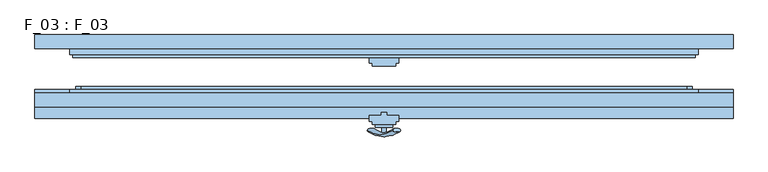
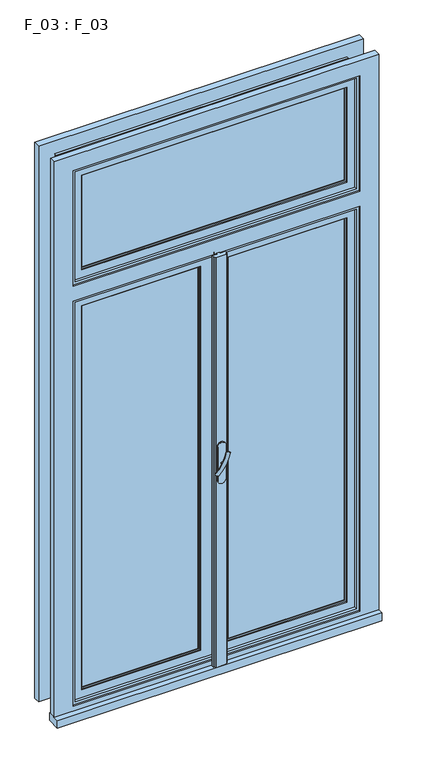
"""IFC4 building model written with IfcOpenShell, lengths in millimetres: window geometry, F_03 : F_03."""

from ifc_helpers import new_model, si_unit, point, frame, frame_2d, origin, place, context, project, spatial, polyline, circle_curve, ellipse_curve, trimmed, segment, composite_curve, outline, extrude, faceted_brep, source, transform, mapped, element, save
from ifc_brep_helpers import plane_surface, revolved_surface, advanced_brep


def f_03_f_03_4b412cb2(model_context):
    return source(origin(), model_context, "Body", "SolidModel", [
        advanced_brep(
        [(-28.5497704, -90.2287724, 1613.0503471), (-14.693364, -90.2287724, 1605.0503471), (14.693364, -90.2287724, 1687.9496529), (28.5497704, -90.2287724, 1679.9496529)],
        [
            (0, 1, ellipse_curve(frame((-21.6215672, -90.2287724, 1609.0503471), z_axis=(-0.46984631039295827, 0.3420201433256777, -0.8137976813493676), x_axis=(0.8660254037844349, 0.0, -0.5000000000000066)), 8.0, 3.5)),
            (1, 0, ellipse_curve(frame((-21.6215672, -90.2287724, 1609.0503471), z_axis=(-0.46984631039295827, 0.3420201433256777, -0.8137976813493676), x_axis=(0.8660254037844349, 0.0, -0.5000000000000066)), 8.0, 3.5)),
            (2, 3, ellipse_curve(frame((21.6215672, -90.2287724, 1683.9496529), z_axis=(0.46984631039296154, 0.3420201433256599, 0.8137976813493732), x_axis=(0.8660254037844355, 0.0, -0.5000000000000056)), 8.0, 3.5)),
            (3, 2, ellipse_curve(frame((21.6215672, -90.2287724, 1683.9496529), z_axis=(0.46984631039296154, 0.3420201433256599, 0.8137976813493732), x_axis=(0.8660254037844355, 0.0, -0.5000000000000056)), 8.0, 3.5)),
            (3, 1, circle_curve(frame((6.9282032, 28.580763, 1642.5), z_axis=(0.8660254037844353, 0.0, -0.500000000000006), x_axis=(-0.1710100716628409, -0.9396926207859051, -0.29619813272603046)), 126.4344667)),
            (0, 2, circle_curve(frame((-6.9282032, 28.580763, 1650.5), z_axis=(-0.8660254037844353, 0.0, 0.500000000000006), x_axis=(-0.1710100716628409, -0.9396926207859051, -0.29619813272603046)), 126.4344667)),
        ],
        [
            plane_surface(frame((40.0926994, -87.5471681, 1574.5466142), z_axis=(-0.4698463103929582, 0.34202014332567776, -0.8137976813493677), x_axis=(-0.8660254037844352, 0.0, 0.500000000000006))),
            plane_surface(frame((82.3598097, -87.5471681, 1647.7553967), z_axis=(0.4698463103929615, 0.34202014332565983, 0.8137976813493734), x_axis=(-0.8660254037844352, 0.0, 0.500000000000006))),
            revolved_surface(trimmed(ellipse_curve(frame((-21.6215672, -90.2287724, 1609.0503471), z_axis=(-0.46984631039295827, 0.3420201433256777, -0.8137976813493676), x_axis=(0.8660254037844349, 0.0, -0.5000000000000066)), 8.0, 3.5), [point((-28.5497704, -90.2287724, 1613.0503471))], [point((-14.693364, -90.2287724, 1605.0503471))], True, "CARTESIAN"), (61.2262546, 28.580763, 1611.1510055), (-0.8660254037844353, 0.0, 0.500000000000006)),
            revolved_surface(trimmed(ellipse_curve(frame((-21.6215672, -90.2287724, 1609.0503471), z_axis=(-0.46984631039295827, 0.3420201433256777, -0.8137976813493676), x_axis=(0.8660254037844349, 0.0, -0.5000000000000066)), 8.0, 3.5), [point((-14.693364, -90.2287724, 1605.0503471))], [point((-28.5497704, -90.2287724, 1613.0503471))], True, "CARTESIAN"), (61.2262546, 28.580763, 1611.1510055), (-0.8660254037844353, 0.0, 0.500000000000006)),
        ],
        [
            (0, [[1, 2]]),
            (1, [[3, 4]]),
            (2, [[5, -1, 6, -4]]),
            (3, [[-6, -2, -5, -3]]),
        ],
    ),
        extrude(outline(composite_curve([segment(trimmed(circle_curve(frame_2d((1646.5, 0.0)), 3.5), [point((1646.5, -3.5))], [point((1646.5, 3.5))], False, "CARTESIAN"), True, "CONTINUOUS"), segment(trimmed(circle_curve(frame_2d((1646.5, 0.0)), 3.5), [point((1646.5, 3.5))], [point((1646.5, -3.5))], False, "CARTESIAN"), True, "CONTINUOUS")], self_intersect=False)), frame((0.0, -95.0, 0.0), z_axis=(0.0, 1.0, 0.0), x_axis=(0.0, 0.0, 1.0)), (0.0, 0.0, 1.0), 10.0),
        extrude(outline(composite_curve([segment(polyline([(1710.8020109, -15.0), (1580.8020109, -15.0)]), True, "CONTINUOUS"), segment(trimmed(circle_curve(frame_2d((1580.8020109, 0.0)), 15.0), [point((1580.8020109, -15.0))], [point((1580.8020109, 15.0))], False, "CARTESIAN"), True, "CONTINUOUS"), segment(polyline([(1580.8020109, 15.0), (1710.8020109, 15.0)]), True, "CONTINUOUS"), segment(trimmed(circle_curve(frame_2d((1710.8020109, 0.0)), 15.0), [point((1710.8020109, 15.0))], [point((1710.8020109, -15.0))], False, "CARTESIAN"), True, "CONTINUOUS")], self_intersect=False)), frame((0.0, -85.0, 0.0), z_axis=(0.0, 1.0, 0.0), x_axis=(0.0, 0.0, 1.0)), (0.0, 0.0, 1.0), 5.0),
        extrude(outline(polyline([(485.0, 43.0), (-485.0, 43.0), (-485.0, 47.0), (485.0, 47.0), (485.0, 43.0)])), frame((0.0, 0.0, 2545.0), z_axis=(0.0, 0.0, 1.0), x_axis=(1.0, 0.0, 0.0)), (0.0, 0.0, 1.0), 360.0),
        faceted_brep([(-490.0, 50.0, 2910.0), (-490.0, 55.0, 2910.0), (490.0, 55.0, 2910.0), (490.0, 50.0, 2910.0), (490.0, 55.0, 2540.0), (490.0, 50.0, 2540.0), (520.0, 55.0, 2510.0), (-520.0, 55.0, 2510.0), (-520.0, 55.0, 2940.0), (520.0, 55.0, 2940.0), (-490.0, 55.0, 2540.0), (-490.0, 50.0, 2540.0), (485.0, 50.0, 2905.0), (-485.0, 50.0, 2905.0), (-485.0, 50.0, 2545.0), (485.0, 50.0, 2545.0), (-485.0, 40.0, 2905.0), (485.0, 40.0, 2905.0), (485.0, 40.0, 2545.0), (490.0, 40.0, 2910.0), (-490.0, 40.0, 2910.0), (-490.0, 40.0, 2540.0), (490.0, 40.0, 2540.0), (-485.0, 40.0, 2545.0), (-490.0, 35.0, 2910.0), (490.0, 35.0, 2910.0), (490.0, 35.0, 2540.0), (535.0, 35.0, 2955.0), (-535.0, 35.0, 2955.0), (-535.0, 35.0, 2495.0), (535.0, 35.0, 2495.0), (-490.0, 35.0, 2540.0), (-540.0, 50.0, 2960.0), (-540.0, 40.0, 2960.0), (540.0, 40.0, 2960.0), (540.0, 50.0, 2960.0), (540.0, 40.0, 2490.0), (540.0, 50.0, 2490.0), (-540.0, 40.0, 2490.0), (535.0, 40.0, 2495.0), (-535.0, 40.0, 2495.0), (-535.0, 40.0, 2955.0), (535.0, 40.0, 2955.0), (-540.0, 50.0, 2490.0), (520.0, 50.0, 2940.0), (-520.0, 50.0, 2940.0), (-520.0, 50.0, 2510.0), (520.0, 50.0, 2510.0)], [[[0, 1, 2, 3]], [[3, 2, 4, 5]], [[6, 7, 8, 9], [2, 1, 10, 4]], [[5, 11, 0, 3], [12, 13, 14, 15]], [[16, 13, 12, 17]], [[17, 12, 15, 18]], [[19, 20, 21, 22], [18, 23, 16, 17]], [[24, 20, 19, 25]], [[25, 19, 22, 26]], [[27, 28, 29, 30], [26, 31, 24, 25]], [[32, 33, 34, 35]], [[35, 34, 36, 37]], [[34, 33, 38, 36], [39, 40, 41, 42]], [[37, 43, 32, 35], [44, 45, 46, 47]], [[8, 45, 44, 9]], [[9, 44, 47, 6]], [[11, 10, 1, 0]], [[23, 14, 13, 16]], [[31, 21, 20, 24]], [[43, 38, 33, 32]], [[7, 46, 45, 8]], [[41, 28, 27, 42]], [[40, 29, 28, 41]], [[42, 27, 30, 39]], [[5, 4, 10, 11]], [[18, 15, 14, 23]], [[26, 22, 21, 31]], [[37, 36, 38, 43]], [[6, 47, 46, 7]], [[39, 30, 29, 40]]]),
        extrude(outline(polyline([(485.0, -27.0), (-485.0, -27.0), (-485.0, -23.0), (485.0, -23.0), (485.0, -27.0)])), frame((0.0, 0.0, 2545.0), z_axis=(0.0, 0.0, 1.0), x_axis=(1.0, 0.0, 0.0)), (0.0, 0.0, 1.0), 360.0),
        faceted_brep([(-490.0, -20.0, 2910.0), (-490.0, -15.0, 2910.0), (490.0, -15.0, 2910.0), (490.0, -20.0, 2910.0), (490.0, -15.0, 2540.0), (490.0, -20.0, 2540.0), (520.0, -15.0, 2510.0), (-520.0, -15.0, 2510.0), (-520.0, -15.0, 2940.0), (520.0, -15.0, 2940.0), (-490.0, -15.0, 2540.0), (-490.0, -20.0, 2540.0), (485.0, -20.0, 2905.0), (-485.0, -20.0, 2905.0), (-485.0, -20.0, 2545.0), (485.0, -20.0, 2545.0), (-485.0, -30.0, 2905.0), (485.0, -30.0, 2905.0), (485.0, -30.0, 2545.0), (490.0, -30.0, 2910.0), (-490.0, -30.0, 2910.0), (-490.0, -30.0, 2540.0), (490.0, -30.0, 2540.0), (-485.0, -30.0, 2545.0), (-490.0, -35.0, 2910.0), (490.0, -35.0, 2910.0), (490.0, -35.0, 2540.0), (535.0, -35.0, 2955.0), (-535.0, -35.0, 2955.0), (-535.0, -35.0, 2495.0), (535.0, -35.0, 2495.0), (-490.0, -35.0, 2540.0), (-540.0, -20.0, 2960.0), (-540.0, -30.0, 2960.0), (540.0, -30.0, 2960.0), (540.0, -20.0, 2960.0), (540.0, -30.0, 2490.0), (540.0, -20.0, 2490.0), (-540.0, -30.0, 2490.0), (535.0, -30.0, 2495.0), (-535.0, -30.0, 2495.0), (-535.0, -30.0, 2955.0), (535.0, -30.0, 2955.0), (-540.0, -20.0, 2490.0), (520.0, -20.0, 2940.0), (-520.0, -20.0, 2940.0), (-520.0, -20.0, 2510.0), (520.0, -20.0, 2510.0)], [[[0, 1, 2, 3]], [[3, 2, 4, 5]], [[6, 7, 8, 9], [2, 1, 10, 4]], [[5, 11, 0, 3], [12, 13, 14, 15]], [[16, 13, 12, 17]], [[17, 12, 15, 18]], [[19, 20, 21, 22], [18, 23, 16, 17]], [[24, 20, 19, 25]], [[25, 19, 22, 26]], [[27, 28, 29, 30], [26, 31, 24, 25]], [[32, 33, 34, 35]], [[35, 34, 36, 37]], [[34, 33, 38, 36], [39, 40, 41, 42]], [[37, 43, 32, 35], [44, 45, 46, 47]], [[8, 45, 44, 9]], [[9, 44, 47, 6]], [[11, 10, 1, 0]], [[23, 14, 13, 16]], [[31, 21, 20, 24]], [[43, 38, 33, 32]], [[7, 46, 45, 8]], [[41, 28, 27, 42]], [[40, 29, 28, 41]], [[42, 27, 30, 39]], [[5, 4, 10, 11]], [[18, 15, 14, 23]], [[26, 22, 21, 31]], [[37, 36, 38, 43]], [[6, 47, 46, 7]], [[39, 30, 29, 40]]]),
        extrude(outline(polyline([(600.0, -70.0), (-600.0, -70.0), (-600.0, -20.0), (600.0, -20.0), (600.0, -70.0)])), frame((0.0, 0.0, 810.0), z_axis=(0.0, 0.0, 1.0), x_axis=(1.0, 0.0, 0.0)), (0.0, 0.0, 1.0), 30.0),
        faceted_brep([(-600.0, -26.0, 840.0), (-600.0, -26.0, 3010.0), (600.0, -26.0, 3010.0), (600.0, -26.0, 840.0), (530.0, -26.0, 840.0), (530.0, -26.0, 810.0), (-530.0, -26.0, 810.0), (-530.0, -26.0, 840.0), (-520.0, -26.0, 2430.0), (-520.0, -26.0, 870.0), (520.0, -26.0, 870.0), (520.0, -26.0, 2430.0), (-520.0, -26.0, 2940.0), (-520.0, -26.0, 2510.0), (520.0, -26.0, 2510.0), (520.0, -26.0, 2940.0), (600.0, -50.0, 3010.0), (600.0, -50.0, 840.0), (530.0, -50.0, 840.0), (530.0, -45.0, 840.0), (530.0, -50.0, 810.0), (-530.0, -50.0, 810.0), (-530.0, -50.0, 840.0), (-530.0, -45.0, 840.0), (-520.0, -45.0, 870.0), (520.0, -45.0, 870.0), (520.0, -45.0, 2430.0), (520.0, -45.0, 2510.0), (520.0, -45.0, 2940.0), (-530.0, -45.0, 2950.0), (-530.0, -45.0, 2500.0), (530.0, -45.0, 2500.0), (530.0, -45.0, 2950.0), (-520.0, -45.0, 2510.0), (-520.0, -45.0, 2940.0), (530.0, -45.0, 2440.0), (-530.0, -45.0, 2440.0), (-530.0, -45.0, 860.0), (530.0, -45.0, 860.0), (-520.0, -45.0, 2430.0), (-530.0, -50.0, 860.0), (530.0, -50.0, 860.0), (530.0, -50.0, 2440.0), (530.0, -50.0, 2500.0), (530.0, -50.0, 2950.0), (-600.0, -50.0, 840.0), (-600.0, -50.0, 3010.0), (-530.0, -50.0, 2440.0), (-530.0, -50.0, 2950.0), (-530.0, -50.0, 2500.0)], [[[0, 1, 2, 3, 4, 5, 6, 7], [8, 9, 10, 11], [12, 13, 14, 15]], [[2, 16, 17, 3]], [[3, 17, 18, 19, 4]], [[20, 5, 4, 19, 18]], [[21, 6, 5, 20]], [[6, 21, 22, 23, 7]], [[24, 25, 10, 9]], [[26, 11, 10, 25]], [[15, 14, 27, 28]], [[29, 30, 31, 32], [33, 34, 28, 27]], [[35, 36, 37, 38], [39, 26, 25, 24]], [[40, 41, 38, 37]], [[42, 35, 38, 41]], [[43, 44, 32, 31]], [[45, 22, 21, 20, 18, 17, 16, 46], [42, 41, 40, 47], [48, 44, 43, 49]], [[22, 45, 0, 7, 23]], [[12, 34, 33, 13]], [[8, 39, 24, 9]], [[37, 36, 47, 40]], [[29, 48, 49, 30]], [[46, 1, 0, 45]], [[34, 12, 15, 28]], [[44, 48, 29, 32]], [[1, 46, 16, 2]], [[39, 8, 11, 26]], [[42, 47, 36, 35]], [[49, 43, 31, 30]], [[13, 33, 27, 14]]]),
        faceted_brep([(-0.5, 55.0, 850.0), (-0.5, 50.0, 850.0), (0.0, 50.0, 850.0), (0.0, 40.0, 850.0), (-540.0, 40.0, 850.0), (-540.0, 50.0, 850.0), (-10.0, 50.0, 850.0), (-10.0, 55.0, 850.0), (-0.5, 55.0, 2450.0), (-0.5, 50.0, 2450.0), (0.0, 50.0, 2450.0), (-530.0, 50.0, 860.0), (-10.0, 50.0, 860.0), (-540.0, 50.0, 2450.0), (-10.0, 50.0, 2450.0), (-10.0, 50.0, 2440.0), (-530.0, 50.0, 2440.0), (0.0, 40.0, 2450.0), (-540.0, 40.0, 2450.0), (-5.0, 40.0, 2445.0), (-5.0, 40.0, 855.0), (-535.0, 40.0, 855.0), (-535.0, 40.0, 2445.0), (-10.0, 55.0, 860.0), (-10.0, 55.0, 2450.0), (-10.0, 55.0, 2440.0), (-530.0, 55.0, 860.0), (-530.0, 55.0, 2440.0), (-50.0, 55.0, 900.0), (-50.0, 55.0, 2400.0), (-490.0, 55.0, 2400.0), (-490.0, 55.0, 900.0), (-50.0, 50.0, 2400.0), (-50.0, 50.0, 900.0), (-490.0, 50.0, 900.0), (-490.0, 50.0, 2400.0), (-55.0, 50.0, 905.0), (-55.0, 50.0, 2395.0), (-485.0, 50.0, 2395.0), (-485.0, 50.0, 905.0), (-55.0, 40.0, 2395.0), (-55.0, 40.0, 905.0), (-485.0, 40.0, 905.0), (-50.0, 40.0, 900.0), (-50.0, 40.0, 2400.0), (-490.0, 40.0, 2400.0), (-490.0, 40.0, 900.0), (-485.0, 40.0, 2395.0), (-50.0, 35.0, 2400.0), (-50.0, 35.0, 900.0), (-490.0, 35.0, 900.0), (-5.0, 35.0, 855.0), (-5.0, 35.0, 2445.0), (-535.0, 35.0, 2445.0), (-535.0, 35.0, 855.0), (-490.0, 35.0, 2400.0)], [[[0, 1, 2, 3, 4, 5, 6, 7]], [[8, 9, 1, 0]], [[10, 2, 1, 9]], [[11, 12, 6, 5, 13, 14, 15, 16]], [[10, 17, 3, 2]], [[3, 17, 18, 4], [19, 20, 21, 22]], [[5, 4, 18, 13]], [[7, 6, 12, 23]], [[14, 24, 25, 15]], [[24, 8, 0, 7, 23, 26, 27, 25], [28, 29, 30, 31]], [[12, 11, 26, 23]], [[26, 11, 16, 27]], [[32, 29, 28, 33]], [[34, 31, 30, 35]], [[33, 28, 31, 34]], [[32, 33, 34, 35], [36, 37, 38, 39]], [[40, 37, 36, 41]], [[41, 36, 39, 42]], [[43, 44, 45, 46], [40, 41, 42, 47]], [[48, 44, 43, 49]], [[49, 43, 46, 50]], [[51, 52, 53, 54], [48, 49, 50, 55]], [[19, 52, 51, 20]], [[20, 51, 54, 21]], [[42, 39, 38, 47]], [[50, 46, 45, 55]], [[21, 54, 53, 22]], [[8, 24, 14, 13, 18, 17, 10, 9]], [[29, 32, 35, 30]], [[37, 40, 47, 38]], [[44, 48, 55, 45]], [[52, 19, 22, 53]], [[27, 16, 15, 25]]]),
        faceted_brep([(0.5, 55.0, 850.0), (10.0, 55.0, 850.0), (10.0, 50.0, 850.0), (540.0, 50.0, 850.0), (540.0, 40.0, 850.0), (0.0, 40.0, 850.0), (0.0, 50.0, 850.0), (0.5, 50.0, 850.0), (0.5, 55.0, 2450.0), (10.0, 55.0, 2450.0), (10.0, 55.0, 2440.0), (530.0, 55.0, 2440.0), (530.0, 55.0, 860.0), (10.0, 55.0, 860.0), (50.0, 55.0, 2400.0), (50.0, 55.0, 900.0), (490.0, 55.0, 900.0), (490.0, 55.0, 2400.0), (10.0, 50.0, 860.0), (10.0, 50.0, 2450.0), (10.0, 50.0, 2440.0), (0.0, 50.0, 2450.0), (0.5, 50.0, 2450.0), (530.0, 50.0, 860.0), (530.0, 50.0, 2440.0), (540.0, 50.0, 2450.0), (540.0, 40.0, 2450.0), (0.0, 40.0, 2450.0), (5.0, 40.0, 855.0), (5.0, 40.0, 2445.0), (535.0, 40.0, 2445.0), (535.0, 40.0, 855.0), (50.0, 50.0, 2400.0), (50.0, 50.0, 900.0), (490.0, 50.0, 900.0), (490.0, 50.0, 2400.0), (55.0, 50.0, 2395.0), (55.0, 50.0, 905.0), (485.0, 50.0, 905.0), (485.0, 50.0, 2395.0), (55.0, 40.0, 2395.0), (55.0, 40.0, 905.0), (50.0, 40.0, 2400.0), (50.0, 40.0, 900.0), (490.0, 40.0, 900.0), (490.0, 40.0, 2400.0), (485.0, 40.0, 2395.0), (485.0, 40.0, 905.0), (50.0, 35.0, 2400.0), (50.0, 35.0, 900.0), (5.0, 35.0, 2445.0), (5.0, 35.0, 855.0), (535.0, 35.0, 855.0), (535.0, 35.0, 2445.0), (490.0, 35.0, 2400.0), (490.0, 35.0, 900.0)], [[[0, 1, 2, 3, 4, 5, 6, 7]], [[8, 9, 10, 11, 12, 13, 1, 0], [14, 15, 16, 17]], [[2, 1, 13, 18]], [[9, 19, 20, 10]], [[6, 21, 22, 7]], [[18, 23, 24, 20, 19, 25, 3, 2]], [[4, 3, 25, 26]], [[27, 5, 4, 26], [28, 29, 30, 31]], [[27, 21, 6, 5]], [[22, 8, 0, 7]], [[23, 12, 11, 24]], [[13, 12, 23, 18]], [[14, 32, 33, 15]], [[15, 33, 34, 16]], [[16, 34, 35, 17]], [[33, 32, 35, 34], [36, 37, 38, 39]], [[36, 40, 41, 37]], [[42, 43, 44, 45], [41, 40, 46, 47]], [[37, 41, 47, 38]], [[42, 48, 49, 43]], [[50, 51, 52, 53], [49, 48, 54, 55]], [[43, 49, 55, 44]], [[50, 29, 28, 51]], [[51, 28, 31, 52]], [[38, 47, 46, 39]], [[44, 55, 54, 45]], [[52, 31, 30, 53]], [[8, 22, 21, 27, 26, 25, 19, 9]], [[32, 14, 17, 35]], [[40, 36, 39, 46]], [[48, 42, 45, 54]], [[29, 50, 53, 30]], [[24, 11, 10, 20]]]),
        faceted_brep([(-600.0, 74.0, 840.0), (-600.0, 74.0, 3010.0), (600.0, 74.0, 3010.0), (600.0, 74.0, 840.0), (520.0, 74.0, 2940.0), (-520.0, 74.0, 2940.0), (-520.0, 74.0, 2510.0), (520.0, 74.0, 2510.0), (520.0, 74.0, 2430.0), (-520.0, 74.0, 2430.0), (-520.0, 74.0, 870.0), (520.0, 74.0, 870.0), (600.0, 50.0, 3010.0), (600.0, 50.0, 840.0), (-600.0, 50.0, 840.0), (520.0, 55.0, 870.0), (-520.0, 55.0, 870.0), (520.0, 55.0, 2510.0), (520.0, 55.0, 2940.0), (520.0, 55.0, 2430.0), (530.0, 55.0, 860.0), (530.0, 55.0, 2440.0), (-530.0, 55.0, 2440.0), (-530.0, 55.0, 860.0), (-520.0, 55.0, 2430.0), (530.0, 55.0, 2500.0), (530.0, 55.0, 2950.0), (-530.0, 55.0, 2950.0), (-530.0, 55.0, 2500.0), (-520.0, 55.0, 2510.0), (-520.0, 55.0, 2940.0), (-530.0, 50.0, 860.0), (530.0, 50.0, 860.0), (530.0, 50.0, 2500.0), (530.0, 50.0, 2950.0), (530.0, 50.0, 2440.0), (-600.0, 50.0, 3010.0), (-530.0, 50.0, 2440.0), (-530.0, 50.0, 2500.0), (-530.0, 50.0, 2950.0)], [[[0, 1, 2, 3], [4, 5, 6, 7], [8, 9, 10, 11]], [[2, 12, 13, 3]], [[0, 3, 13, 14]], [[15, 11, 10, 16]], [[4, 7, 17, 18]], [[19, 8, 11, 15]], [[20, 21, 22, 23], [19, 15, 16, 24]], [[25, 26, 27, 28], [18, 17, 29, 30]], [[31, 32, 20, 23]], [[33, 34, 26, 25]], [[35, 21, 20, 32]], [[36, 14, 13, 12], [32, 31, 37, 35], [33, 38, 39, 34]], [[10, 9, 24, 16]], [[6, 5, 30, 29]], [[37, 31, 23, 22]], [[39, 38, 28, 27]], [[0, 14, 36, 1]], [[4, 18, 30, 5]], [[27, 26, 34, 39]], [[2, 1, 36, 12]], [[8, 19, 24, 9]], [[22, 21, 35, 37]], [[33, 25, 28, 38]], [[17, 7, 6, 29]]]),
        extrude(outline(polyline([(-55.0, 43.0), (-485.0, 43.0), (-485.0, 47.0), (-55.0, 47.0), (-55.0, 43.0)])), frame((0.0, 0.0, 905.0), z_axis=(0.0, 0.0, 1.0), x_axis=(1.0, 0.0, 0.0)), (0.0, 0.0, 1.0), 1490.0),
        extrude(outline(polyline([(485.0, 43.0), (55.0, 43.0), (55.0, 47.0), (485.0, 47.0), (485.0, 43.0)])), frame((0.0, 0.0, 905.0), z_axis=(0.0, 0.0, 1.0), x_axis=(1.0, 0.0, 0.0)), (0.0, 0.0, 1.0), 1490.0),
        extrude(outline(polyline([(5.0, 40.0), (5.0, 35.0), (25.0, 35.0), (25.0, 25.0), (20.0, 25.0), (20.0, 20.0), (-20.0, 20.0), (-20.0, 25.0), (-25.0, 25.0), (-25.0, 35.0), (-5.0, 35.0), (-5.0, 40.0), (5.0, 40.0)])), frame((0.0, 0.0, 850.0), z_axis=(0.0, 0.0, 1.0), x_axis=(1.0, 0.0, 0.0)), (0.0, 0.0, 1.0), 1600.0),
        faceted_brep([(-50.0, -20.0, 2400.0), (-50.0, -15.0, 2400.0), (-50.0, -15.0, 900.0), (-50.0, -20.0, 900.0), (-10.0, -15.0, 2440.0), (-10.0, -15.0, 860.0), (-530.0, -15.0, 860.0), (-530.0, -15.0, 2440.0), (-490.0, -15.0, 2400.0), (-490.0, -15.0, 900.0), (-490.0, -20.0, 900.0), (-490.0, -20.0, 2400.0), (-55.0, -20.0, 905.0), (-55.0, -20.0, 2395.0), (-485.0, -20.0, 2395.0), (-485.0, -20.0, 905.0), (-55.0, -30.0, 2395.0), (-55.0, -30.0, 905.0), (-485.0, -30.0, 905.0), (-50.0, -30.0, 900.0), (-50.0, -30.0, 2400.0), (-490.0, -30.0, 2400.0), (-490.0, -30.0, 900.0), (-485.0, -30.0, 2395.0), (-50.0, -35.0, 2400.0), (-50.0, -35.0, 900.0), (-490.0, -35.0, 900.0), (-5.0, -35.0, 855.0), (-5.0, -35.0, 2445.0), (-535.0, -35.0, 2445.0), (-535.0, -35.0, 855.0), (-490.0, -35.0, 2400.0), (-5.0, -30.0, 2445.0), (-5.0, -30.0, 855.0), (-535.0, -30.0, 855.0), (0.0, -30.0, 850.0), (0.0, -30.0, 2450.0), (-540.0, -30.0, 2450.0), (-540.0, -30.0, 850.0), (-535.0, -30.0, 2445.0), (0.0, -20.0, 2450.0), (0.0, -20.0, 850.0), (-540.0, -20.0, 850.0), (-540.0, -20.0, 2450.0), (-10.0, -20.0, 860.0), (-10.0, -20.0, 2440.0), (-530.0, -20.0, 2440.0), (-530.0, -20.0, 860.0)], [[[0, 1, 2, 3]], [[4, 5, 6, 7], [2, 1, 8, 9]], [[3, 2, 9, 10]], [[0, 3, 10, 11], [12, 13, 14, 15]], [[16, 13, 12, 17]], [[17, 12, 15, 18]], [[19, 20, 21, 22], [16, 17, 18, 23]], [[24, 20, 19, 25]], [[25, 19, 22, 26]], [[27, 28, 29, 30], [24, 25, 26, 31]], [[32, 28, 27, 33]], [[33, 27, 30, 34]], [[35, 36, 37, 38], [32, 33, 34, 39]], [[40, 36, 35, 41]], [[41, 35, 38, 42]], [[40, 41, 42, 43], [44, 45, 46, 47]], [[10, 9, 8, 11]], [[18, 15, 14, 23]], [[26, 22, 21, 31]], [[34, 30, 29, 39]], [[42, 38, 37, 43]], [[5, 44, 47, 6]], [[6, 47, 46, 7]], [[1, 0, 11, 8]], [[13, 16, 23, 14]], [[20, 24, 31, 21]], [[28, 32, 39, 29]], [[36, 40, 43, 37]], [[45, 4, 7, 46]], [[4, 45, 44, 5]]]),
        faceted_brep([(-10.0, -50.0, 2450.0), (-10.0, -45.0, 2450.0), (-10.0, -45.0, 850.0), (-10.0, -50.0, 850.0), (-0.5, -45.0, 2450.0), (-0.5, -50.0, 2450.0), (-0.5, -50.0, 850.0), (-0.5, -45.0, 850.0)], [[[0, 1, 2, 3]], [[4, 5, 6, 7]], [[7, 6, 3, 2]], [[5, 0, 3, 6]], [[1, 4, 7, 2]], [[4, 1, 0, 5]]]),
        extrude(outline(polyline([(-55.0, -27.0), (-485.0, -27.0), (-485.0, -23.0), (-55.0, -23.0), (-55.0, -27.0)])), frame((0.0, 0.0, 905.0), z_axis=(0.0, 0.0, 1.0), x_axis=(1.0, 0.0, 0.0)), (0.0, 0.0, 1.0), 1490.0),
        extrude(outline(polyline([(485.0, -27.0), (55.0, -27.0), (55.0, -23.0), (485.0, -23.0), (485.0, -27.0)])), frame((0.0, 0.0, 905.0), z_axis=(0.0, 0.0, 1.0), x_axis=(1.0, 0.0, 0.0)), (0.0, 0.0, 1.0), 1490.0),
        faceted_brep([(5.0, -60.0, 850.0), (5.0, -65.0, 850.0), (25.0, -65.0, 850.0), (25.0, -75.0, 850.0), (20.0, -75.0, 850.0), (20.0, -80.0, 850.0), (-20.0, -80.0, 850.0), (-20.0, -75.0, 850.0), (-25.0, -75.0, 850.0), (-25.0, -65.0, 850.0), (-5.0, -65.0, 850.0), (-5.0, -60.0, 850.0), (5.0, -60.0, 2450.0), (5.0, -65.0, 2450.0), (25.0, -65.0, 2450.0), (25.0, -75.0, 2450.0), (20.0, -75.0, 2450.0), (20.0, -80.0, 2450.0), (-20.0, -80.0, 2450.0), (-20.0, -75.0, 2450.0), (-25.0, -75.0, 2450.0), (-25.0, -65.0, 2450.0), (-5.0, -65.0, 2450.0), (-5.0, -60.0, 2450.0)], [[[0, 1, 2, 3, 4, 5, 6, 7, 8, 9, 10, 11]], [[12, 13, 1, 0]], [[13, 14, 2, 1]], [[14, 15, 3, 2]], [[15, 16, 4, 3]], [[16, 17, 5, 4]], [[17, 18, 6, 5]], [[18, 19, 7, 6]], [[19, 20, 8, 7]], [[20, 21, 9, 8]], [[21, 22, 10, 9]], [[22, 23, 11, 10]], [[23, 12, 0, 11]], [[12, 23, 22, 21, 20, 19, 18, 17, 16, 15, 14, 13]]]),
        faceted_brep([(0.0, -30.0, 2450.0), (0.0, -20.0, 2450.0), (0.0, -20.0, 850.0), (0.0, -30.0, 850.0), (540.0, -20.0, 2450.0), (540.0, -20.0, 850.0), (10.0, -20.0, 2440.0), (10.0, -20.0, 860.0), (530.0, -20.0, 860.0), (530.0, -20.0, 2440.0), (10.0, -15.0, 860.0), (10.0, -15.0, 2440.0), (530.0, -15.0, 2440.0), (530.0, -15.0, 860.0), (50.0, -15.0, 2400.0), (50.0, -15.0, 900.0), (490.0, -15.0, 900.0), (490.0, -15.0, 2400.0), (540.0, -30.0, 850.0), (540.0, -30.0, 2450.0), (5.0, -30.0, 855.0), (5.0, -30.0, 2445.0), (535.0, -30.0, 2445.0), (535.0, -30.0, 855.0), (5.0, -35.0, 2445.0), (5.0, -35.0, 855.0), (535.0, -35.0, 855.0), (535.0, -35.0, 2445.0), (50.0, -35.0, 900.0), (50.0, -35.0, 2400.0), (490.0, -35.0, 2400.0), (490.0, -35.0, 900.0), (50.0, -20.0, 2400.0), (50.0, -20.0, 900.0), (490.0, -20.0, 2400.0), (490.0, -20.0, 900.0), (55.0, -20.0, 2395.0), (55.0, -20.0, 905.0), (485.0, -20.0, 905.0), (485.0, -20.0, 2395.0), (55.0, -30.0, 2395.0), (55.0, -30.0, 905.0), (50.0, -30.0, 2400.0), (50.0, -30.0, 900.0), (490.0, -30.0, 900.0), (490.0, -30.0, 2400.0), (485.0, -30.0, 2395.0), (485.0, -30.0, 905.0)], [[[0, 1, 2, 3]], [[2, 1, 4, 5], [6, 7, 8, 9]], [[10, 11, 12, 13], [14, 15, 16, 17]], [[18, 5, 4, 19]], [[0, 3, 18, 19], [20, 21, 22, 23]], [[24, 25, 26, 27], [28, 29, 30, 31]], [[25, 20, 23, 26]], [[14, 32, 33, 15]], [[33, 32, 34, 35], [36, 37, 38, 39]], [[15, 33, 35, 16]], [[36, 40, 41, 37]], [[42, 43, 44, 45], [41, 40, 46, 47]], [[37, 41, 47, 38]], [[42, 29, 28, 43]], [[43, 28, 31, 44]], [[16, 35, 34, 17]], [[38, 47, 46, 39]], [[44, 31, 30, 45]], [[26, 23, 22, 27]], [[7, 10, 13, 8]], [[8, 13, 12, 9]], [[32, 14, 17, 34]], [[40, 36, 39, 46]], [[29, 42, 45, 30]], [[21, 24, 27, 22]], [[11, 6, 9, 12]], [[24, 21, 20, 25]], [[3, 2, 5, 18]], [[6, 11, 10, 7]], [[1, 0, 19, 4]]]),
        faceted_brep([(0.5, -50.0, 2450.0), (0.5, -45.0, 2450.0), (0.5, -45.0, 850.0), (0.5, -50.0, 850.0), (10.0, -45.0, 2450.0), (10.0, -50.0, 2450.0), (10.0, -50.0, 850.0), (10.0, -45.0, 850.0)], [[[0, 1, 2, 3]], [[4, 5, 6, 7]], [[2, 7, 6, 3]], [[1, 4, 7, 2]], [[5, 0, 3, 6]], [[1, 0, 5, 4]]]),
    ])


if __name__ == "__main__":
    model = new_model("IFC4")
    model_context = context("Model", 3, world=origin())
    ifc_project = project(units=[si_unit("LENGTHUNIT", "METRE", prefix="MILLI")], contexts=[model_context])
    site = spatial("IfcSite", under=ifc_project)
    building = spatial("IfcBuilding", under=site)
    placement = place(None, origin())
    f_03_f_03_shape = f_03_f_03_4b412cb2(model_context)
    element("IfcWindow", 1, ObjectType="F_03 : F_03", at=placement, inside=building, context=model_context, shape_type="MappedRepresentation", body=[
        mapped(f_03_f_03_shape, transform((0.0, 0.0, 0.0), x_axis=(1.0, 0.0, 0.0), y_axis=(0.0, 1.0, 0.0), z_axis=(0.0, 0.0, 1.0))),
    ])
    save(model, "model.ifc")
